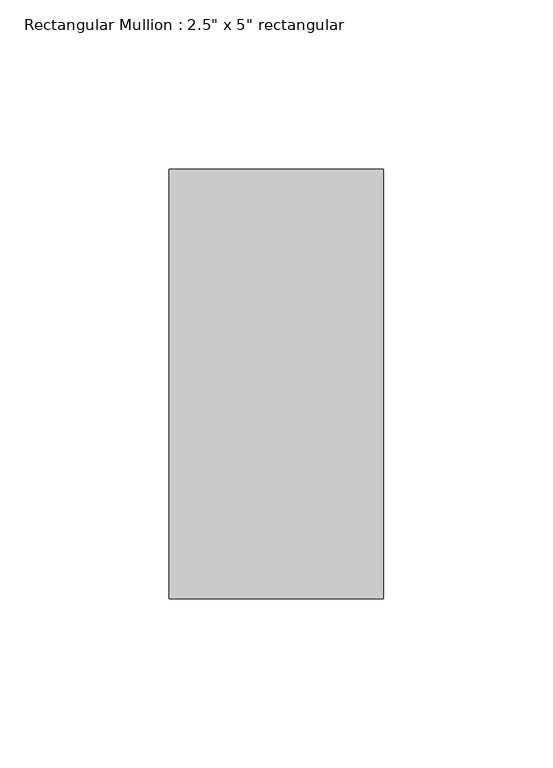
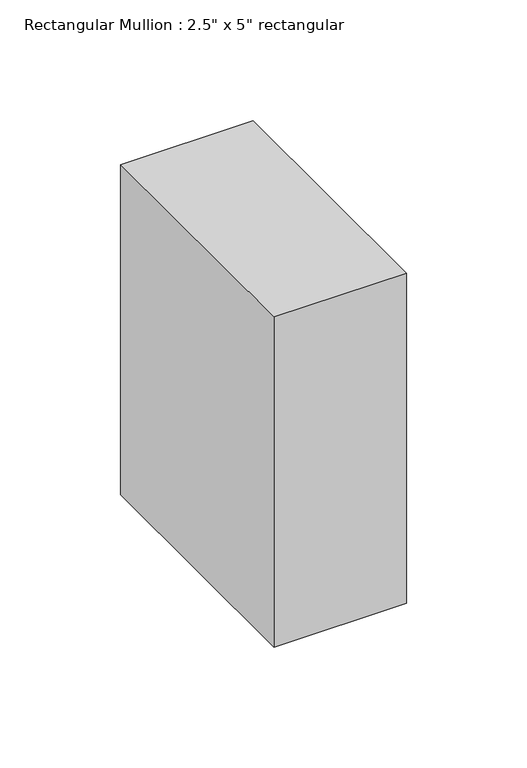
"""IFC4 building model written with IfcOpenShell, lengths in millimetres: member geometry."""

from ifc_helpers import new_model, si_unit, frame, origin, place, context, project, spatial, polyline, outline, extrude, source, transform, mapped, element, save


def member_ff92b25a(model_context):
    return source(origin(), model_context, "Body", "SweptSolid", [
        extrude(outline(polyline([(31.75, 63.5), (31.75, -63.5), (-31.75, -63.5), (-31.75, 63.5), (31.75, 63.5)])), frame((0.0, 0.0, -167.0247126), z_axis=(0.0, 0.0, 1.0), x_axis=(1.0, 0.0, 0.0)), (0.0, 0.0, 1.0), 167.0247126),
    ])


if __name__ == "__main__":
    model = new_model("IFC4")
    model_context = context("Model", 3, world=origin())
    ifc_project = project(units=[si_unit("LENGTHUNIT", "METRE", prefix="MILLI")], contexts=[model_context])
    site = spatial("IfcSite", under=ifc_project)
    building = spatial("IfcBuilding", under=site)
    placement = place(None, origin())
    member_shape = member_ff92b25a(model_context)
    element("IfcMember", 1, ObjectType="Rectangular Mullion : 2.5\" x 5\" rectangular", at=placement, inside=building, context=model_context, shape_type="MappedRepresentation", body=[
        mapped(member_shape, transform((0.0, 0.0, 0.0), x_axis=(1.0, 0.0, 0.0), y_axis=(0.0, 1.0, 0.0), z_axis=(0.0, 0.0, 1.0))),
    ])
    save(model, "model.ifc")
